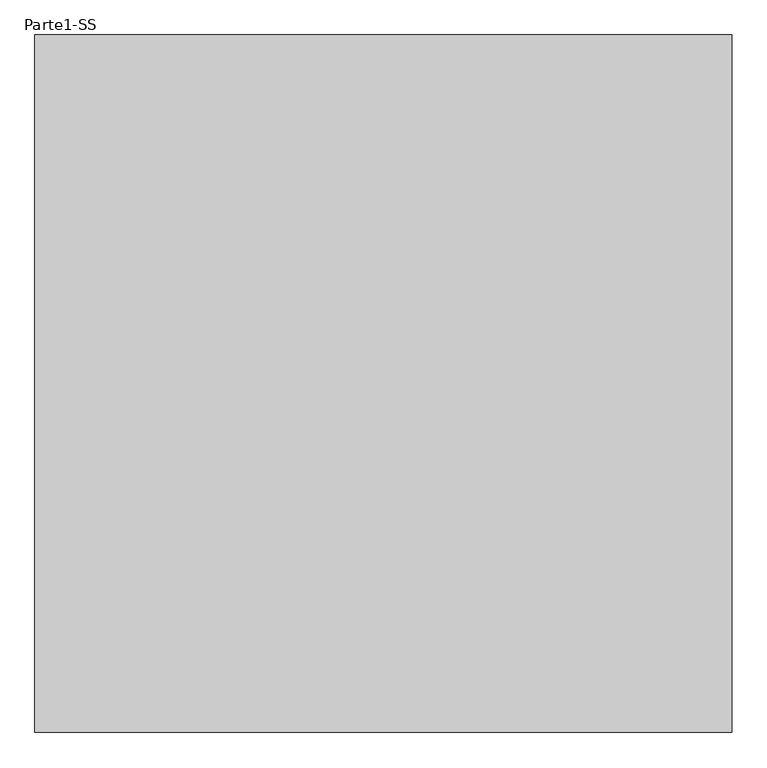
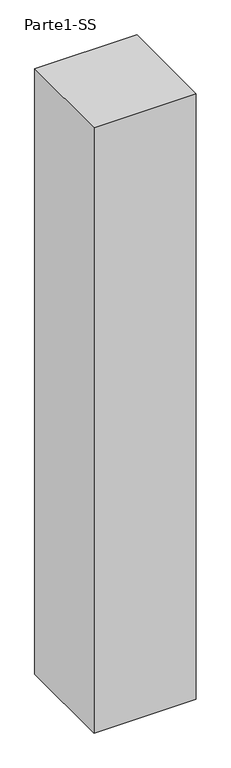
"""IFC4 building model written with IfcOpenShell, lengths in millimetres: proxy geometry, Parte1-SS."""

from ifc_helpers import new_model, si_unit, origin, origin_with_axes, place, context, project, spatial, polyline, outline, extrude, source, transform, mapped, element, save


def parte1_ss_37082344(model_context):
    return source(origin(), model_context, "Body", "SweptSolid", [
        extrude(outline(polyline([(4000.0, 4000.0), (4000.0, 0.0), (0.0, 0.0), (0.0, 4000.0), (4000.0, 4000.0)])), origin_with_axes(), (0.0, 0.0, 1.0), 25000.0),
    ])


if __name__ == "__main__":
    model = new_model("IFC4")
    model_context = context("Model", 3, world=origin())
    ifc_project = project(units=[si_unit("LENGTHUNIT", "METRE", prefix="MILLI")], contexts=[model_context])
    site = spatial("IfcSite", under=ifc_project)
    building = spatial("IfcBuilding", under=site)
    placement = place(None, origin())
    parte1_ss_shape = parte1_ss_37082344(model_context)
    element("IfcBuildingElementProxy", 1, Name="Parte1-SS", ObjectType="Parte1-SS", at=placement, inside=building, context=model_context, shape_type="MappedRepresentation", body=[
        mapped(parte1_ss_shape, transform((0.0, 0.0, 0.0), x_axis=(1.0, 0.0, 0.0), y_axis=(0.0, 1.0, 0.0), z_axis=(0.0, 0.0, 1.0))),
    ])
    save(model, "model.ifc")
